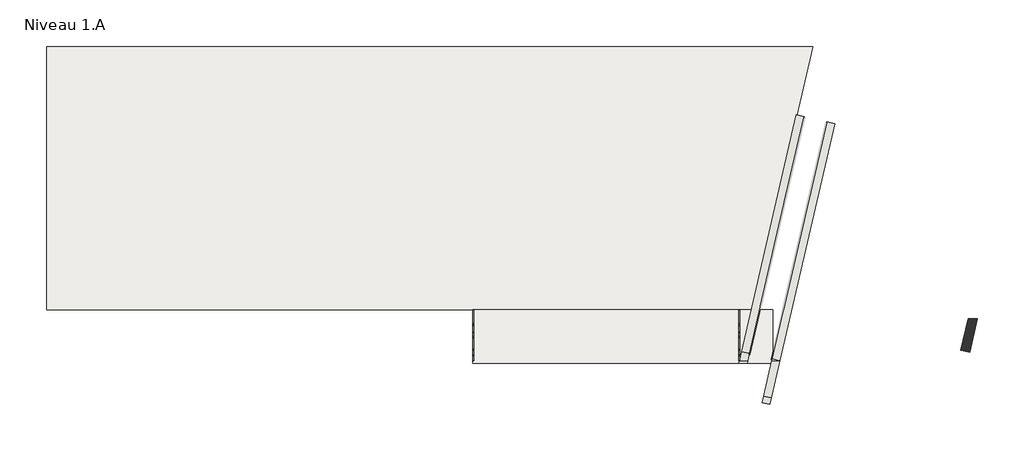
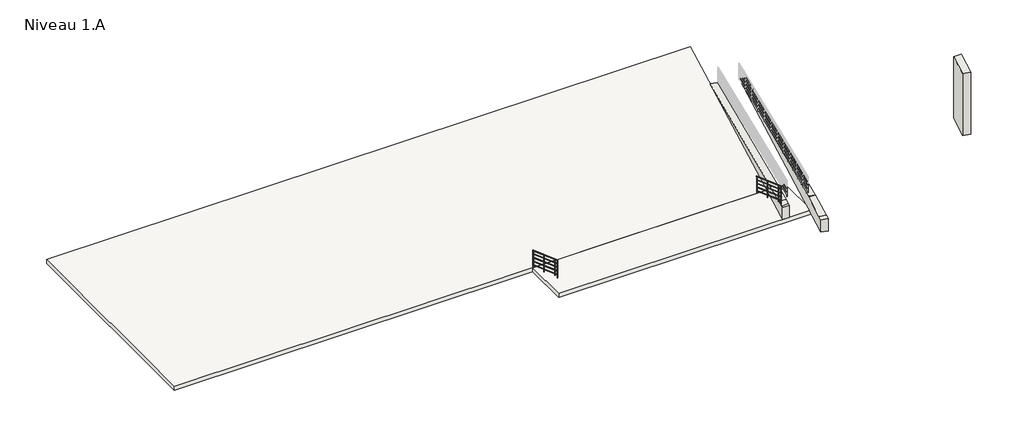
# One storey, part 1 of 3: 3 walls, 2 railings, 2 slabs.
"""IFC4 building model written with IfcOpenShell, lengths in millimetres."""

from ifc_helpers import new_model, si_unit, frame, origin, origin_with_axes, place, context, project, spatial, polyline, circle_curve, ellipse_curve, outline, extrude, faceted_brep, element, save
from ifc_brep_helpers import plane_surface, cylinder_surface, advanced_brep

model = new_model("IFC4")

# Units and contexts
model_context = context("Model", 3, world=origin())
ifc_project = project(units=[si_unit("LENGTHUNIT", "METRE", prefix="MILLI")], contexts=[model_context])

# Site, building, storey
site = spatial("IfcSite", under=ifc_project)
building = spatial("IfcBuilding", under=site)
storey = spatial("IfcBuildingStorey", under=building, Name="Niveau 1.A", Elevation=-900.0)

# Railings
placement = place(None, origin())
element("IfcRailing", 1, at=placement, inside=storey, context=model_context, shape_type="AdvancedBrep", body=[
    advanced_brep(
    [(7300.4243918, 3254.3092804, 74.3049349), (7340.4243918, 3254.3092804, 74.3049349), (7300.4243918, 1014.3092804, 878.7493794), (7340.4243918, 1014.3092804, 878.7493794)],
    [
        (0, 1, ellipse_curve(frame((7320.4243918, 3254.3092804, 74.3049349), z_axis=(0.0, 1.0, 0.0), x_axis=(0.0, 0.0, -0.9999999999999999)), 21.2506206, 20.0)),
        (1, 0, ellipse_curve(frame((7320.4243918, 3254.3092804, 74.3049349), z_axis=(0.0, 1.0, 0.0), x_axis=(0.0, 0.0, -0.9999999999999999)), 21.2506206, 20.0)),
        (2, 3, ellipse_curve(frame((7320.4243918, 1014.3092804, 878.7493794), z_axis=(0.0, -1.0, 0.0), x_axis=(0.0, 0.0, -0.9999999999999999)), 21.2506206, 20.0)),
        (3, 2, ellipse_curve(frame((7320.4243918, 1014.3092804, 878.7493794), z_axis=(0.0, -1.0, 0.0), x_axis=(0.0, 0.0, -0.9999999999999999)), 21.2506206, 20.0)),
        (0, 2),
        (3, 1),
    ],
    [
        plane_surface(frame((7320.4243918, 3254.3092804, 95.5555556), z_axis=(0.0, 1.0, 0.0), x_axis=(0.0, 0.0, -1.0))),
        plane_surface(frame((7320.4243918, 1014.3092804, 900.0), z_axis=(0.0, -1.0, 0.0), x_axis=(0.0, 0.0, -1.0))),
        cylinder_surface(frame((7320.4243918, 3247.5494405, 76.7325759), z_axis=(0.0, 0.9411489841857617, -0.33799199630480775), x_axis=(1.0, 0.0, 0.0)), 20.0),
    ],
    [
        (0, [[1, 2]]),
        (1, [[3, 4]]),
        (2, [[-1, 5, -4, 6]]),
        (2, [[-2, -6, -3, -5]]),
    ],
),
    advanced_brep(
    [(7335.4243918, 3254.3092804, -120.3824099), (7305.4243918, 3254.3092804, -120.3824099), (7335.4243918, 1014.3092804, 684.0620345), (7305.4243918, 1014.3092804, 684.0620345)],
    [
        (0, 1, ellipse_curve(frame((7320.4243918, 3254.3092804, -120.3824099), z_axis=(0.0, 1.0, 0.0), x_axis=(0.0, 0.0, -0.9999999999999999)), 15.9379655, 15.0)),
        (1, 0, ellipse_curve(frame((7320.4243918, 3254.3092804, -120.3824099), z_axis=(0.0, 1.0, 0.0), x_axis=(0.0, 0.0, -0.9999999999999999)), 15.9379655, 15.0)),
        (2, 3, ellipse_curve(frame((7320.4243918, 1014.3092804, 684.0620345), z_axis=(0.0, -1.0, 0.0), x_axis=(0.0, 0.0, -0.9999999999999999)), 15.9379655, 15.0)),
        (3, 2, ellipse_curve(frame((7320.4243918, 1014.3092804, 684.0620345), z_axis=(0.0, -1.0, 0.0), x_axis=(0.0, 0.0, -0.9999999999999999)), 15.9379655, 15.0)),
        (0, 2),
        (3, 1),
    ],
    [
        plane_surface(frame((7320.4243918, 3254.3092804, -104.4444444), z_axis=(0.0, 1.0, 0.0), x_axis=(0.0, 0.0, -1.0))),
        plane_surface(frame((7320.4243918, 1014.3092804, 700.0), z_axis=(0.0, -1.0, 0.0), x_axis=(0.0, 0.0, -1.0))),
        cylinder_surface(frame((7320.4243918, 3249.2394005, -118.5616792), z_axis=(0.0, 0.9411489841857617, -0.33799199630480775), x_axis=(-1.0, 0.0, 0.0)), 15.0),
    ],
    [
        (0, [[1, 2]]),
        (1, [[3, 4]]),
        (2, [[-1, 5, -4, 6]]),
        (2, [[-2, -6, -3, -5]]),
    ],
),
    advanced_brep(
    [(7335.4243918, 3254.3092804, -320.3824099), (7305.4243918, 3254.3092804, -320.3824099), (7335.4243918, 1014.3092804, 484.0620345), (7305.4243918, 1014.3092804, 484.0620345)],
    [
        (0, 1, ellipse_curve(frame((7320.4243918, 3254.3092804, -320.3824099), z_axis=(0.0, 1.0, 0.0), x_axis=(0.0, 0.0, -0.9999999999999999)), 15.9379655, 15.0)),
        (1, 0, ellipse_curve(frame((7320.4243918, 3254.3092804, -320.3824099), z_axis=(0.0, 1.0, 0.0), x_axis=(0.0, 0.0, -0.9999999999999999)), 15.9379655, 15.0)),
        (2, 3, ellipse_curve(frame((7320.4243918, 1014.3092804, 484.0620345), z_axis=(0.0, -1.0, 0.0), x_axis=(0.0, 0.0, -0.9999999999999999)), 15.9379655, 15.0)),
        (3, 2, ellipse_curve(frame((7320.4243918, 1014.3092804, 484.0620345), z_axis=(0.0, -1.0, 0.0), x_axis=(0.0, 0.0, -0.9999999999999999)), 15.9379655, 15.0)),
        (0, 2),
        (3, 1),
    ],
    [
        plane_surface(frame((7320.4243918, 3254.3092804, -304.4444444), z_axis=(0.0, 1.0, 0.0), x_axis=(0.0, 0.0, -1.0))),
        plane_surface(frame((7320.4243918, 1014.3092804, 500.0), z_axis=(0.0, -1.0, 0.0), x_axis=(0.0, 0.0, -1.0))),
        cylinder_surface(frame((7320.4243918, 3249.2394005, -318.5616792), z_axis=(0.0, 0.9411489841857617, -0.33799199630480775), x_axis=(-1.0, 0.0, 0.0)), 15.0),
    ],
    [
        (0, [[1, 2]]),
        (1, [[3, 4]]),
        (2, [[-1, 5, -4, 6]]),
        (2, [[-2, -6, -3, -5]]),
    ],
),
    advanced_brep(
    [(7335.4243918, 3254.3092804, -520.3824099), (7305.4243918, 3254.3092804, -520.3824099), (7335.4243918, 1014.3092804, 284.0620345), (7305.4243918, 1014.3092804, 284.0620345)],
    [
        (0, 1, ellipse_curve(frame((7320.4243918, 3254.3092804, -520.3824099), z_axis=(0.0, 1.0, 0.0), x_axis=(0.0, 0.0, -0.9999999999999999)), 15.9379655, 15.0)),
        (1, 0, ellipse_curve(frame((7320.4243918, 3254.3092804, -520.3824099), z_axis=(0.0, 1.0, 0.0), x_axis=(0.0, 0.0, -0.9999999999999999)), 15.9379655, 15.0)),
        (2, 3, ellipse_curve(frame((7320.4243918, 1014.3092804, 284.0620345), z_axis=(0.0, -1.0, 0.0), x_axis=(0.0, 0.0, -0.9999999999999999)), 15.9379655, 15.0)),
        (3, 2, ellipse_curve(frame((7320.4243918, 1014.3092804, 284.0620345), z_axis=(0.0, -1.0, 0.0), x_axis=(0.0, 0.0, -0.9999999999999999)), 15.9379655, 15.0)),
        (0, 2),
        (3, 1),
    ],
    [
        plane_surface(frame((7320.4243918, 3254.3092804, -504.4444444), z_axis=(0.0, 1.0, 0.0), x_axis=(0.0, 0.0, -1.0))),
        plane_surface(frame((7320.4243918, 1014.3092804, 300.0), z_axis=(0.0, -1.0, 0.0), x_axis=(0.0, 0.0, -1.0))),
        cylinder_surface(frame((7320.4243918, 3249.2394005, -518.5616792), z_axis=(0.0, 0.9411489841857617, -0.33799199630480775), x_axis=(-1.0, 0.0, 0.0)), 15.0),
    ],
    [
        (0, [[1, 2]]),
        (1, [[3, 4]]),
        (2, [[-1, 5, -4, 6]]),
        (2, [[-2, -6, -3, -5]]),
    ],
),
    advanced_brep(
    [(7335.4243918, 3254.3092804, -720.3824099), (7305.4243918, 3254.3092804, -720.3824099), (7335.4243918, 1014.3092804, 84.0620345), (7305.4243918, 1014.3092804, 84.0620345)],
    [
        (0, 1, ellipse_curve(frame((7320.4243918, 3254.3092804, -720.3824099), z_axis=(0.0, 1.0, 0.0), x_axis=(0.0, 0.0, -0.9999999999999999)), 15.9379655, 15.0)),
        (1, 0, ellipse_curve(frame((7320.4243918, 3254.3092804, -720.3824099), z_axis=(0.0, 1.0, 0.0), x_axis=(0.0, 0.0, -0.9999999999999999)), 15.9379655, 15.0)),
        (2, 3, ellipse_curve(frame((7320.4243918, 1014.3092804, 84.0620345), z_axis=(0.0, -1.0, 0.0), x_axis=(0.0, 0.0, -0.9999999999999999)), 15.9379655, 15.0)),
        (3, 2, ellipse_curve(frame((7320.4243918, 1014.3092804, 84.0620345), z_axis=(0.0, -1.0, 0.0), x_axis=(0.0, 0.0, -0.9999999999999999)), 15.9379655, 15.0)),
        (0, 2),
        (3, 1),
    ],
    [
        plane_surface(frame((7320.4243918, 3254.3092804, -704.4444444), z_axis=(0.0, 1.0, 0.0), x_axis=(0.0, 0.0, -1.0))),
        plane_surface(frame((7320.4243918, 1014.3092804, 100.0), z_axis=(0.0, -1.0, 0.0), x_axis=(0.0, 0.0, -1.0))),
        cylinder_surface(frame((7320.4243918, 3249.2394005, -718.5616792), z_axis=(0.0, 0.9411489841857617, -0.33799199630480775), x_axis=(-1.0, 0.0, 0.0)), 15.0),
    ],
    [
        (0, [[1, 2]]),
        (1, [[3, 4]]),
        (2, [[-1, 5, -4, 6]]),
        (2, [[-2, -6, -3, -5]]),
    ],
),
    advanced_brep(
    [(7307.9243918, 1254.3092804, 771.3082826), (7307.9243918, 1254.3092804, -100.5555556), (7332.9243918, 1254.3092804, -100.5555556), (7332.9243918, 1254.3092804, 771.3082826)],
    [
        (0, 1),
        (1, 2, circle_curve(frame((7320.4243918, 1254.3092804, -100.5555556), z_axis=(0.0, 0.0, 1.0), x_axis=(1.0, 0.0, 0.0)), 12.5)),
        (2, 3),
        (3, 0, ellipse_curve(frame((7320.4243918, 1254.3092804, 771.3082826), z_axis=(0.0, -0.3379919963048062, -0.9411489841857622), x_axis=(0.0, -0.9411489841857623, 0.33799199630480553)), 13.2816379, 12.5)),
        (0, 3, ellipse_curve(frame((7320.4243918, 1254.3092804, 771.3082826), z_axis=(0.0, -0.3379919963048062, -0.9411489841857622), x_axis=(0.0, -0.9411489841857623, 0.33799199630480553)), 13.2816379, 12.5)),
        (2, 1, circle_curve(frame((7320.4243918, 1254.3092804, -100.5555556), z_axis=(0.0, 0.0, 1.0), x_axis=(1.0, 0.0, 0.0)), 12.5)),
    ],
    [
        cylinder_surface(frame((7320.4243918, 1254.3092804, -200.5555556), z_axis=(0.0, 0.0, 1.0), x_axis=(1.0, 0.0, 0.0)), 12.5),
        plane_surface(frame((7345.4243918, 1229.3092804, 780.2864572), z_axis=(0.0, 0.3379919963048062, 0.9411489841857622), x_axis=(-1.0, 0.0, 0.0))),
        plane_surface(frame((7345.4243918, 1279.3092804, -100.5555556), z_axis=(0.0, 0.0, -1.0), x_axis=(-1.0, 0.0, 0.0))),
    ],
    [
        (0, [[1, 2, 3, 4]]),
        (0, [[-1, 5, -3, 6]]),
        (1, [[-4, -5]]),
        (2, [[-2, -6]]),
    ],
),
    advanced_brep(
    [(7307.9243918, 2254.3092804, 412.1812985), (7307.9243918, 2254.3092804, -502.7777778), (7332.9243918, 2254.3092804, -502.7777778), (7332.9243918, 2254.3092804, 412.1812985)],
    [
        (0, 1),
        (1, 2, circle_curve(frame((7320.4243918, 2254.3092804, -502.7777778), z_axis=(0.0, 0.0, 1.0), x_axis=(1.0, 0.0, 0.0)), 12.5)),
        (2, 3),
        (3, 0, ellipse_curve(frame((7320.4243918, 2254.3092804, 412.1812985), z_axis=(0.0, -0.3379919963048062, -0.9411489841857622), x_axis=(0.0, -0.9411489841857623, 0.33799199630480553)), 13.2816379, 12.5)),
        (0, 3, ellipse_curve(frame((7320.4243918, 2254.3092804, 412.1812985), z_axis=(0.0, -0.3379919963048062, -0.9411489841857622), x_axis=(0.0, -0.9411489841857623, 0.33799199630480553)), 13.2816379, 12.5)),
        (2, 1, circle_curve(frame((7320.4243918, 2254.3092804, -502.7777778), z_axis=(0.0, 0.0, 1.0), x_axis=(1.0, 0.0, 0.0)), 12.5)),
    ],
    [
        cylinder_surface(frame((7320.4243918, 2254.3092804, -602.7777778), z_axis=(0.0, 0.0, 1.0), x_axis=(1.0, 0.0, 0.0)), 12.5),
        plane_surface(frame((7345.4243918, 2229.3092804, 421.1594731), z_axis=(0.0, 0.3379919963048062, 0.9411489841857622), x_axis=(-1.0, 0.0, 0.0))),
        plane_surface(frame((7345.4243918, 2279.3092804, -502.7777778), z_axis=(0.0, 0.0, -1.0), x_axis=(-1.0, 0.0, 0.0))),
    ],
    [
        (0, [[1, 2, 3, 4]]),
        (0, [[-1, 5, -3, 6]]),
        (1, [[-4, -5]]),
        (2, [[-2, -6]]),
    ],
),
    advanced_brep(
    [(7307.9243918, 1026.8092804, 853.0096715), (7307.9243918, 1026.8092804, -100.5555556), (7332.9243918, 1026.8092804, -100.5555556), (7332.9243918, 1026.8092804, 853.0096715)],
    [
        (0, 1),
        (1, 2, circle_curve(frame((7320.4243918, 1026.8092804, -100.5555556), z_axis=(0.0, 0.0, 1.0), x_axis=(1.0, 0.0, 0.0)), 12.5)),
        (2, 3),
        (3, 0, ellipse_curve(frame((7320.4243918, 1026.8092804, 853.0096715), z_axis=(0.0, -0.3379919963048084, -0.9411489841857613), x_axis=(0.0, -0.9411489841857613, 0.33799199630480825)), 13.2816379, 12.5)),
        (0, 3, ellipse_curve(frame((7320.4243918, 1026.8092804, 853.0096715), z_axis=(0.0, -0.3379919963048084, -0.9411489841857613), x_axis=(0.0, -0.9411489841857613, 0.33799199630480825)), 13.2816379, 12.5)),
        (2, 1, circle_curve(frame((7320.4243918, 1026.8092804, -100.5555556), z_axis=(0.0, 0.0, 1.0), x_axis=(1.0, 0.0, 0.0)), 12.5)),
    ],
    [
        cylinder_surface(frame((7320.4243918, 1026.8092804, -200.5555556), z_axis=(0.0, 0.0, 1.0), x_axis=(1.0, 0.0, 0.0)), 12.5),
        plane_surface(frame((7345.4243918, 1001.8092804, 861.9878461), z_axis=(0.0, 0.3379919963048084, 0.9411489841857613), x_axis=(-1.0, 0.0, 0.0))),
        plane_surface(frame((7345.4243918, 1051.8092804, -100.5555556), z_axis=(0.0, 0.0, -1.0), x_axis=(-1.0, 0.0, 0.0))),
    ],
    [
        (0, [[1, 2, 3, 4]]),
        (0, [[-1, 5, -3, 6]]),
        (1, [[-4, -5]]),
        (2, [[-2, -6]]),
    ],
),
    advanced_brep(
    [(7307.9243918, 3241.8092804, 57.5434016), (7307.9243918, 3241.8092804, -804.4444444), (7332.9243918, 3241.8092804, -804.4444444), (7332.9243918, 3241.8092804, 57.5434016)],
    [
        (0, 1),
        (1, 2, circle_curve(frame((7320.4243918, 3241.8092804, -804.4444444), z_axis=(0.0, 0.0, 1.0), x_axis=(1.0, 0.0, 0.0)), 12.5)),
        (2, 3),
        (3, 0, ellipse_curve(frame((7320.4243918, 3241.8092804, 57.5434016), z_axis=(0.0, -0.3379919963048062, -0.9411489841857622), x_axis=(0.0, -0.9411489841857623, 0.33799199630480553)), 13.2816379, 12.5)),
        (0, 3, ellipse_curve(frame((7320.4243918, 3241.8092804, 57.5434016), z_axis=(0.0, -0.3379919963048062, -0.9411489841857622), x_axis=(0.0, -0.9411489841857623, 0.33799199630480553)), 13.2816379, 12.5)),
        (2, 1, circle_curve(frame((7320.4243918, 3241.8092804, -804.4444444), z_axis=(0.0, 0.0, 1.0), x_axis=(1.0, 0.0, 0.0)), 12.5)),
    ],
    [
        cylinder_surface(frame((7320.4243918, 3241.8092804, -904.4444444), z_axis=(0.0, 0.0, 1.0), x_axis=(1.0, 0.0, 0.0)), 12.5),
        plane_surface(frame((7345.4243918, 3216.8092804, 66.5215762), z_axis=(0.0, 0.3379919963048062, 0.9411489841857622), x_axis=(-1.0, 0.0, 0.0))),
        plane_surface(frame((7345.4243918, 3266.8092804, -804.4444444), z_axis=(0.0, 0.0, -1.0), x_axis=(-1.0, 0.0, 0.0))),
    ],
    [
        (0, [[1, 2, 3, 4]]),
        (0, [[-1, 5, -3, 6]]),
        (1, [[-4, -5]]),
        (2, [[-2, -6]]),
    ],
),
])
element("IfcRailing", 2, at=placement, inside=storey, context=model_context, shape_type="AdvancedBrep", body=[
    advanced_brep(
    [(19111.8514274, 3254.3092804, 74.3049349), (19151.8514274, 3254.3092804, 74.3049349), (19111.8514274, 1014.3092804, 878.7493794), (19151.8514274, 1014.3092804, 878.7493794)],
    [
        (0, 1, ellipse_curve(frame((19131.8514274, 3254.3092804, 74.3049349), z_axis=(0.0, 1.0, 0.0), x_axis=(0.0, 0.0, -0.9999999999999999)), 21.2506206, 20.0)),
        (1, 0, ellipse_curve(frame((19131.8514274, 3254.3092804, 74.3049349), z_axis=(0.0, 1.0, 0.0), x_axis=(0.0, 0.0, -0.9999999999999999)), 21.2506206, 20.0)),
        (2, 3, ellipse_curve(frame((19131.8514274, 1014.3092804, 878.7493794), z_axis=(0.0, -1.0, 0.0), x_axis=(0.0, 0.0, -0.9999999999999999)), 21.2506206, 20.0)),
        (3, 2, ellipse_curve(frame((19131.8514274, 1014.3092804, 878.7493794), z_axis=(0.0, -1.0, 0.0), x_axis=(0.0, 0.0, -0.9999999999999999)), 21.2506206, 20.0)),
        (0, 2),
        (3, 1),
    ],
    [
        plane_surface(frame((19131.8514274, 3254.3092804, 95.5555556), z_axis=(0.0, 1.0, 0.0), x_axis=(0.0, 0.0, -1.0))),
        plane_surface(frame((19131.8514274, 1014.3092804, 900.0), z_axis=(0.0, -1.0, 0.0), x_axis=(0.0, 0.0, -1.0))),
        cylinder_surface(frame((19131.8514274, 3247.5494405, 76.7325759), z_axis=(0.0, 0.9411489841857617, -0.33799199630480775), x_axis=(1.0, 0.0, 0.0)), 20.0),
    ],
    [
        (0, [[1, 2]]),
        (1, [[3, 4]]),
        (2, [[-1, 5, -4, 6]]),
        (2, [[-2, -6, -3, -5]]),
    ],
),
    advanced_brep(
    [(19116.8514274, 3254.3092804, -120.3824099), (19146.8514274, 3254.3092804, -120.3824099), (19116.8514274, 1014.3092804, 684.0620345), (19146.8514274, 1014.3092804, 684.0620345)],
    [
        (0, 1, ellipse_curve(frame((19131.8514274, 3254.3092804, -120.3824099), z_axis=(0.0, 1.0, 0.0), x_axis=(0.0, 0.0, -0.9999999999999999)), 15.9379655, 15.0)),
        (1, 0, ellipse_curve(frame((19131.8514274, 3254.3092804, -120.3824099), z_axis=(0.0, 1.0, 0.0), x_axis=(0.0, 0.0, -0.9999999999999999)), 15.9379655, 15.0)),
        (2, 3, ellipse_curve(frame((19131.8514274, 1014.3092804, 684.0620345), z_axis=(0.0, -1.0, 0.0), x_axis=(0.0, 0.0, -0.9999999999999999)), 15.9379655, 15.0)),
        (3, 2, ellipse_curve(frame((19131.8514274, 1014.3092804, 684.0620345), z_axis=(0.0, -1.0, 0.0), x_axis=(0.0, 0.0, -0.9999999999999999)), 15.9379655, 15.0)),
        (0, 2),
        (3, 1),
    ],
    [
        plane_surface(frame((19131.8514274, 3254.3092804, -104.4444444), z_axis=(0.0, 1.0, 0.0), x_axis=(0.0, 0.0, -1.0))),
        plane_surface(frame((19131.8514274, 1014.3092804, 700.0), z_axis=(0.0, -1.0, 0.0), x_axis=(0.0, 0.0, -1.0))),
        cylinder_surface(frame((19131.8514274, 3249.2394005, -118.5616792), z_axis=(0.0, 0.9411489841857617, -0.33799199630480775), x_axis=(1.0, 0.0, 0.0)), 15.0),
    ],
    [
        (0, [[1, 2]]),
        (1, [[3, 4]]),
        (2, [[-1, 5, -4, 6]]),
        (2, [[-2, -6, -3, -5]]),
    ],
),
    advanced_brep(
    [(19116.8514274, 3254.3092804, -320.3824099), (19146.8514274, 3254.3092804, -320.3824099), (19116.8514274, 1014.3092804, 484.0620345), (19146.8514274, 1014.3092804, 484.0620345)],
    [
        (0, 1, ellipse_curve(frame((19131.8514274, 3254.3092804, -320.3824099), z_axis=(0.0, 1.0, 0.0), x_axis=(0.0, 0.0, -0.9999999999999999)), 15.9379655, 15.0)),
        (1, 0, ellipse_curve(frame((19131.8514274, 3254.3092804, -320.3824099), z_axis=(0.0, 1.0, 0.0), x_axis=(0.0, 0.0, -0.9999999999999999)), 15.9379655, 15.0)),
        (2, 3, ellipse_curve(frame((19131.8514274, 1014.3092804, 484.0620345), z_axis=(0.0, -1.0, 0.0), x_axis=(0.0, 0.0, -0.9999999999999999)), 15.9379655, 15.0)),
        (3, 2, ellipse_curve(frame((19131.8514274, 1014.3092804, 484.0620345), z_axis=(0.0, -1.0, 0.0), x_axis=(0.0, 0.0, -0.9999999999999999)), 15.9379655, 15.0)),
        (0, 2),
        (3, 1),
    ],
    [
        plane_surface(frame((19131.8514274, 3254.3092804, -304.4444444), z_axis=(0.0, 1.0, 0.0), x_axis=(0.0, 0.0, -1.0))),
        plane_surface(frame((19131.8514274, 1014.3092804, 500.0), z_axis=(0.0, -1.0, 0.0), x_axis=(0.0, 0.0, -1.0))),
        cylinder_surface(frame((19131.8514274, 3249.2394005, -318.5616792), z_axis=(0.0, 0.9411489841857617, -0.33799199630480775), x_axis=(1.0, 0.0, 0.0)), 15.0),
    ],
    [
        (0, [[1, 2]]),
        (1, [[3, 4]]),
        (2, [[-1, 5, -4, 6]]),
        (2, [[-2, -6, -3, -5]]),
    ],
),
    advanced_brep(
    [(19116.8514274, 3254.3092804, -520.3824099), (19146.8514274, 3254.3092804, -520.3824099), (19116.8514274, 1014.3092804, 284.0620345), (19146.8514274, 1014.3092804, 284.0620345)],
    [
        (0, 1, ellipse_curve(frame((19131.8514274, 3254.3092804, -520.3824099), z_axis=(0.0, 1.0, 0.0), x_axis=(0.0, 0.0, -0.9999999999999999)), 15.9379655, 15.0)),
        (1, 0, ellipse_curve(frame((19131.8514274, 3254.3092804, -520.3824099), z_axis=(0.0, 1.0, 0.0), x_axis=(0.0, 0.0, -0.9999999999999999)), 15.9379655, 15.0)),
        (2, 3, ellipse_curve(frame((19131.8514274, 1014.3092804, 284.0620345), z_axis=(0.0, -1.0, 0.0), x_axis=(0.0, 0.0, -0.9999999999999999)), 15.9379655, 15.0)),
        (3, 2, ellipse_curve(frame((19131.8514274, 1014.3092804, 284.0620345), z_axis=(0.0, -1.0, 0.0), x_axis=(0.0, 0.0, -0.9999999999999999)), 15.9379655, 15.0)),
        (0, 2),
        (3, 1),
    ],
    [
        plane_surface(frame((19131.8514274, 3254.3092804, -504.4444444), z_axis=(0.0, 1.0, 0.0), x_axis=(0.0, 0.0, -1.0))),
        plane_surface(frame((19131.8514274, 1014.3092804, 300.0), z_axis=(0.0, -1.0, 0.0), x_axis=(0.0, 0.0, -1.0))),
        cylinder_surface(frame((19131.8514274, 3249.2394005, -518.5616792), z_axis=(0.0, 0.9411489841857617, -0.33799199630480775), x_axis=(1.0, 0.0, 0.0)), 15.0),
    ],
    [
        (0, [[1, 2]]),
        (1, [[3, 4]]),
        (2, [[-1, 5, -4, 6]]),
        (2, [[-2, -6, -3, -5]]),
    ],
),
    advanced_brep(
    [(19116.8514274, 3254.3092804, -720.3824099), (19146.8514274, 3254.3092804, -720.3824099), (19116.8514274, 1014.3092804, 84.0620345), (19146.8514274, 1014.3092804, 84.0620345)],
    [
        (0, 1, ellipse_curve(frame((19131.8514274, 3254.3092804, -720.3824099), z_axis=(0.0, 1.0, 0.0), x_axis=(0.0, 0.0, -0.9999999999999999)), 15.9379655, 15.0)),
        (1, 0, ellipse_curve(frame((19131.8514274, 3254.3092804, -720.3824099), z_axis=(0.0, 1.0, 0.0), x_axis=(0.0, 0.0, -0.9999999999999999)), 15.9379655, 15.0)),
        (2, 3, ellipse_curve(frame((19131.8514274, 1014.3092804, 84.0620345), z_axis=(0.0, -1.0, 0.0), x_axis=(0.0, 0.0, -0.9999999999999999)), 15.9379655, 15.0)),
        (3, 2, ellipse_curve(frame((19131.8514274, 1014.3092804, 84.0620345), z_axis=(0.0, -1.0, 0.0), x_axis=(0.0, 0.0, -0.9999999999999999)), 15.9379655, 15.0)),
        (0, 2),
        (3, 1),
    ],
    [
        plane_surface(frame((19131.8514274, 3254.3092804, -704.4444444), z_axis=(0.0, 1.0, 0.0), x_axis=(0.0, 0.0, -1.0))),
        plane_surface(frame((19131.8514274, 1014.3092804, 100.0), z_axis=(0.0, -1.0, 0.0), x_axis=(0.0, 0.0, -1.0))),
        cylinder_surface(frame((19131.8514274, 3249.2394005, -718.5616792), z_axis=(0.0, 0.9411489841857617, -0.33799199630480775), x_axis=(1.0, 0.0, 0.0)), 15.0),
    ],
    [
        (0, [[1, 2]]),
        (1, [[3, 4]]),
        (2, [[-1, 5, -4, 6]]),
        (2, [[-2, -6, -3, -5]]),
    ],
),
    advanced_brep(
    [(19144.3514274, 1254.3092804, 771.3082826), (19119.3514274, 1254.3092804, 771.3082826), (19119.3514274, 1254.3092804, -100.5555556), (19144.3514274, 1254.3092804, -100.5555556)],
    [
        (0, 1, ellipse_curve(frame((19131.8514274, 1254.3092804, 771.3082826), z_axis=(0.0, -0.3379919963048062, -0.9411489841857622), x_axis=(0.0, -0.9411489841857623, 0.33799199630480553)), 13.2816379, 12.5)),
        (1, 2),
        (2, 3, circle_curve(frame((19131.8514274, 1254.3092804, -100.5555556), z_axis=(0.0, 0.0, 1.0), x_axis=(-1.0, 0.0, 0.0)), 12.5)),
        (3, 0),
        (3, 2, circle_curve(frame((19131.8514274, 1254.3092804, -100.5555556), z_axis=(0.0, 0.0, 1.0), x_axis=(-1.0, 0.0, 0.0)), 12.5)),
        (1, 0, ellipse_curve(frame((19131.8514274, 1254.3092804, 771.3082826), z_axis=(0.0, -0.3379919963048062, -0.9411489841857622), x_axis=(0.0, -0.9411489841857623, 0.33799199630480553)), 13.2816379, 12.5)),
    ],
    [
        cylinder_surface(frame((19131.8514274, 1254.3092804, -200.5555556), z_axis=(0.0, 0.0, 1.0), x_axis=(-1.0, 0.0, 0.0)), 12.5),
        plane_surface(frame((19106.8514274, 1229.3092804, 780.2864572), z_axis=(0.0, 0.3379919963048062, 0.9411489841857622), x_axis=(1.0, 0.0, 0.0))),
        plane_surface(frame((19106.8514274, 1279.3092804, -100.5555556), z_axis=(0.0, 0.0, -1.0), x_axis=(1.0, 0.0, 0.0))),
    ],
    [
        (0, [[1, 2, 3, 4]]),
        (0, [[5, -2, 6, -4]]),
        (1, [[-6, -1]]),
        (2, [[-5, -3]]),
    ],
),
    advanced_brep(
    [(19144.3514274, 2254.3092804, 412.1812985), (19119.3514274, 2254.3092804, 412.1812985), (19119.3514274, 2254.3092804, -502.7777778), (19144.3514274, 2254.3092804, -502.7777778)],
    [
        (0, 1, ellipse_curve(frame((19131.8514274, 2254.3092804, 412.1812985), z_axis=(0.0, -0.3379919963048062, -0.9411489841857622), x_axis=(0.0, -0.9411489841857623, 0.33799199630480553)), 13.2816379, 12.5)),
        (1, 2),
        (2, 3, circle_curve(frame((19131.8514274, 2254.3092804, -502.7777778), z_axis=(0.0, 0.0, 1.0), x_axis=(-1.0, 0.0, 0.0)), 12.5)),
        (3, 0),
        (3, 2, circle_curve(frame((19131.8514274, 2254.3092804, -502.7777778), z_axis=(0.0, 0.0, 1.0), x_axis=(-1.0, 0.0, 0.0)), 12.5)),
        (1, 0, ellipse_curve(frame((19131.8514274, 2254.3092804, 412.1812985), z_axis=(0.0, -0.3379919963048062, -0.9411489841857622), x_axis=(0.0, -0.9411489841857623, 0.33799199630480553)), 13.2816379, 12.5)),
    ],
    [
        cylinder_surface(frame((19131.8514274, 2254.3092804, -602.7777778), z_axis=(0.0, 0.0, 1.0), x_axis=(-1.0, 0.0, 0.0)), 12.5),
        plane_surface(frame((19106.8514274, 2229.3092804, 421.1594731), z_axis=(0.0, 0.3379919963048062, 0.9411489841857622), x_axis=(1.0, 0.0, 0.0))),
        plane_surface(frame((19106.8514274, 2279.3092804, -502.7777778), z_axis=(0.0, 0.0, -1.0), x_axis=(1.0, 0.0, 0.0))),
    ],
    [
        (0, [[1, 2, 3, 4]]),
        (0, [[5, -2, 6, -4]]),
        (1, [[-6, -1]]),
        (2, [[-5, -3]]),
    ],
),
    advanced_brep(
    [(19144.3514274, 1026.8092804, 853.0096715), (19119.3514274, 1026.8092804, 853.0096715), (19119.3514274, 1026.8092804, -100.5555556), (19144.3514274, 1026.8092804, -100.5555556)],
    [
        (0, 1, ellipse_curve(frame((19131.8514274, 1026.8092804, 853.0096715), z_axis=(0.0, -0.3379919963048084, -0.9411489841857613), x_axis=(0.0, -0.9411489841857613, 0.33799199630480825)), 13.2816379, 12.5)),
        (1, 2),
        (2, 3, circle_curve(frame((19131.8514274, 1026.8092804, -100.5555556), z_axis=(0.0, 0.0, 1.0), x_axis=(-1.0, 0.0, 0.0)), 12.5)),
        (3, 0),
        (3, 2, circle_curve(frame((19131.8514274, 1026.8092804, -100.5555556), z_axis=(0.0, 0.0, 1.0), x_axis=(-1.0, 0.0, 0.0)), 12.5)),
        (1, 0, ellipse_curve(frame((19131.8514274, 1026.8092804, 853.0096715), z_axis=(0.0, -0.3379919963048084, -0.9411489841857613), x_axis=(0.0, -0.9411489841857613, 0.33799199630480825)), 13.2816379, 12.5)),
    ],
    [
        cylinder_surface(frame((19131.8514274, 1026.8092804, -200.5555556), z_axis=(0.0, 0.0, 1.0), x_axis=(-1.0, 0.0, 0.0)), 12.5),
        plane_surface(frame((19106.8514274, 1001.8092804, 861.9878461), z_axis=(0.0, 0.3379919963048084, 0.9411489841857613), x_axis=(1.0, 0.0, 0.0))),
        plane_surface(frame((19106.8514274, 1051.8092804, -100.5555556), z_axis=(0.0, 0.0, -1.0), x_axis=(1.0, 0.0, 0.0))),
    ],
    [
        (0, [[1, 2, 3, 4]]),
        (0, [[5, -2, 6, -4]]),
        (1, [[-6, -1]]),
        (2, [[-5, -3]]),
    ],
),
    advanced_brep(
    [(19144.3514274, 3241.8092804, 57.5434016), (19119.3514274, 3241.8092804, 57.5434016), (19119.3514274, 3241.8092804, -804.4444444), (19144.3514274, 3241.8092804, -804.4444444)],
    [
        (0, 1, ellipse_curve(frame((19131.8514274, 3241.8092804, 57.5434016), z_axis=(0.0, -0.3379919963048062, -0.9411489841857622), x_axis=(0.0, -0.9411489841857623, 0.33799199630480553)), 13.2816379, 12.5)),
        (1, 2),
        (2, 3, circle_curve(frame((19131.8514274, 3241.8092804, -804.4444444), z_axis=(0.0, 0.0, 1.0), x_axis=(-1.0, 0.0, 0.0)), 12.5)),
        (3, 0),
        (3, 2, circle_curve(frame((19131.8514274, 3241.8092804, -804.4444444), z_axis=(0.0, 0.0, 1.0), x_axis=(-1.0, 0.0, 0.0)), 12.5)),
        (1, 0, ellipse_curve(frame((19131.8514274, 3241.8092804, 57.5434016), z_axis=(0.0, -0.3379919963048062, -0.9411489841857622), x_axis=(0.0, -0.9411489841857623, 0.33799199630480553)), 13.2816379, 12.5)),
    ],
    [
        cylinder_surface(frame((19131.8514274, 3241.8092804, -904.4444444), z_axis=(0.0, 0.0, 1.0), x_axis=(-1.0, 0.0, 0.0)), 12.5),
        plane_surface(frame((19106.8514274, 3216.8092804, 66.5215762), z_axis=(0.0, 0.3379919963048062, 0.9411489841857622), x_axis=(1.0, 0.0, 0.0))),
        plane_surface(frame((19106.8514274, 3266.8092804, -804.4444444), z_axis=(0.0, 0.0, -1.0), x_axis=(1.0, 0.0, 0.0))),
    ],
    [
        (0, [[1, 2, 3, 4]]),
        (0, [[5, -2, 6, -4]]),
        (1, [[-6, -1]]),
        (2, [[-5, -3]]),
    ],
),
])

# Slabs
element("IfcSlab", 3, at=placement, inside=storey, context=model_context, shape_type="SweptSolid", body=[
    extrude(outline(polyline([(22385.3793119, 14954.9961743), (19688.2978634, 3272.652949), (-11614.6206881, 3272.652949), (-11614.6206881, 14954.9961743), (22385.3793119, 14954.9961743)])), frame((0.0, 0.0, -1125.0), z_axis=(0.0, 0.0, 1.0), x_axis=(1.0, 0.0, 0.0)), (0.0, 0.0, 1.0), 225.0),
])
element("IfcSlab", 4, at=placement, inside=storey, context=model_context, shape_type="SweptSolid", body=[
    extrude(outline(polyline([(20627.7280396, 3272.652949), (20627.7280396, 887.7687708), (7307.439115, 887.7687708), (7307.439115, 3272.652949), (20627.7280396, 3272.652949)])), frame((0.0, 0.0, -1125.0), z_axis=(0.0, 0.0, 1.0), x_axis=(1.0, 0.0, 0.0)), (0.0, 0.0, 1.0), 225.0),
])

# Walls
element("IfcWall", 5, at=placement, inside=storey, context=model_context, shape_type="SweptSolid", body=[
    extrude(outline(polyline([(28971.4536855, 1473.8179619), (29292.0629806, 2862.5553969), (29702.5842346, 2862.5553969), (29361.2020808, 1383.8391401), (28971.4536855, 1473.8179619)])), origin_with_axes(), (0.0, 0.0, 1.0), 3450.0),
])
element("IfcWall", 6, at=placement, inside=storey, context=model_context, shape_type="Brep", body=[
    faceted_brep([(19476.3937901, 887.7687708, -900.0), (22006.6638347, 11847.5724244, -900.0), (19580.9333637, 1340.5794117, -225.0), (19505.1832664, 1012.4696925, -225.0), (19476.3937901, 887.7687708, -225.0), (19117.1873524, 887.7687708, -900.0), (19117.1873524, 887.7687708, -225.0), (19145.9768286, 1012.4696925, -225.0), (19239.903841, 1419.3122807, -225.0), (21665.6343121, 11926.3052934, -900.0)], [[[0, 1, 2, 3, 4]], [[5, 6, 7, 8, 9]], [[0, 4, 6, 5]], [[1, 0, 5, 9]], [[2, 1, 9, 8]], [[3, 2, 8, 7]], [[4, 3, 7, 6]]]),
])
element("IfcWall", 7, at=placement, inside=storey, context=model_context, shape_type="Brep", body=[
    faceted_brep([(20483.2242899, -930.2911707, -900.0), (23361.0382248, 11534.8904589, -900.0), (20931.5668379, 1011.6937592, -225.0), (20551.5683155, -634.2606728, -225.0), (20483.2242899, -930.2911707, -225.0), (20142.1947673, -851.5583017, -900.0), (20142.1947673, -851.5583017, -225.0), (20210.5387928, -555.5278038, -225.0), (20572.5395385, 1012.4696925, -225.0), (20590.5373152, 1090.4266282, -225.0), (23020.0087021, 11613.6233279, -900.0), (20928.2059013, 1012.4696925, -225.0), (20337.2111968, -584.7724325, -225.0)], [[[0, 1, 2, 3, 4]], [[5, 6, 7, 8, 9, 10]], [[1, 0, 5, 10]], [[0, 4, 6, 5]], [[2, 1, 10, 9, 11]], [[11, 9, 8]], [[3, 2, 11, 8, 7, 12]], [[4, 3, 12, 7, 6]]]),
])

save(model, "model.ifc")
